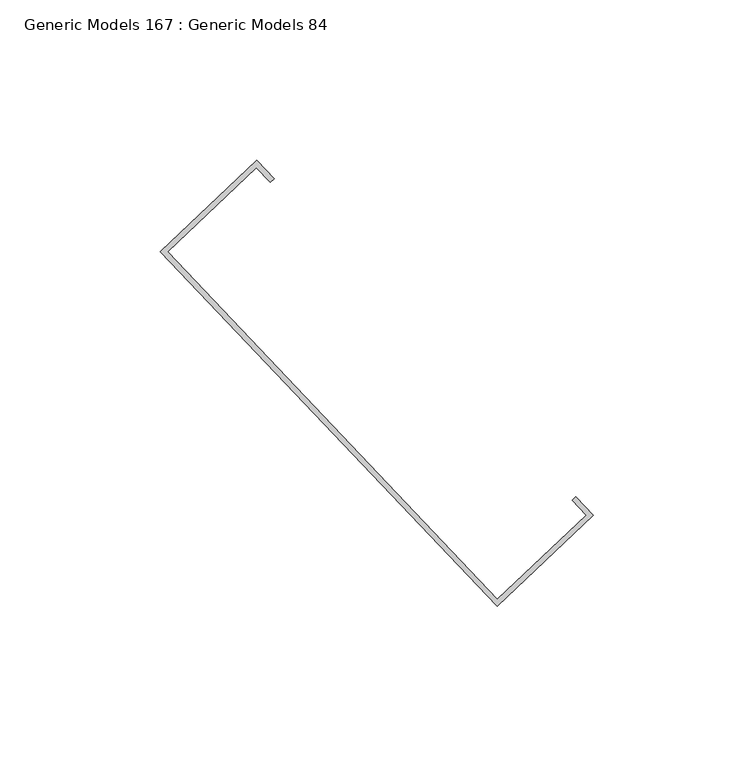
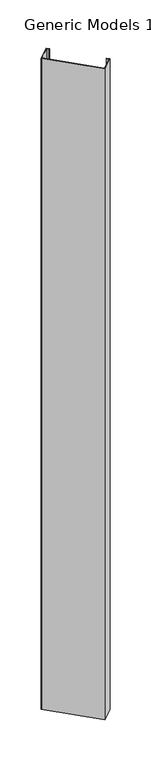
"""IFC4 building model written with IfcOpenShell, lengths in millimetres: proxy geometry, Generic Models 167 : Generic Models 84."""

import ifcopenshell
import ifcopenshell.guid

model = None  # the IFC model being written
_history = None  # IfcOwnerHistory: only IFC2X3 demands one
_inside = {}  # id of a spatial element -> (the spatial element, [elements in it])
_under = {}  # id of a project, library or spatial element -> (it, [spatial elements below it])
_declared = {}  # id of a project -> (the project, [libraries it declares])
_typed = {}  # id of a type object -> (the type object, [elements of that type])
_made_of = {}  # id of a material, layer set ... -> (it, [elements and type objects made of it])


def new_model(schema):
    """Start an empty IFC model of exactly this schema.

    Asked for "IFC4X3", IfcOpenShell would pick the latest addendum, in which some entities
    have other attributes; the version numbers below select the first issue.
    IFC2X3 requires an IfcOwnerHistory on every rooted entity: one is made here for all.
    """
    global model, _history
    if schema == "IFC4X3":
        model = ifcopenshell.file(schema_version=(4, 3, 0, 0))
    else:
        model = ifcopenshell.file(schema=schema)
    _inside.clear()
    _under.clear()
    _declared.clear()
    _typed.clear()
    _made_of.clear()
    _history = None
    if model.schema == "IFC2X3":
        org = make("IfcOrganization", Name="unknown")
        user = make(
            "IfcPersonAndOrganization",
            ThePerson=make("IfcPerson", FamilyName="unknown"),
            TheOrganization=org,
        )
        app = make(
            "IfcApplication",
            ApplicationDeveloper=org,
            Version="unknown",
            ApplicationFullName="unknown",
            ApplicationIdentifier="unknown",
        )
        _history = make(
            "IfcOwnerHistory",
            OwningUser=user,
            OwningApplication=app,
            ChangeAction="ADDED",
            CreationDate=0,
        )
    return model


def make(cls, **values):
    """One entity of the class cls with the attributes given. An attribute that is None is left unset."""
    return model.create_entity(
        cls, **{name: value for name, value in values.items() if value is not None}
    )


def rooted(cls, **values):
    """An entity with a GlobalId (a new one), such as an element, a storey or a relation."""
    return make(cls, GlobalId=ifcopenshell.guid.new(), OwnerHistory=_history, **values)


def si_unit(unit_type, name, prefix=None):
    """IfcSIUnit, for example si_unit("LENGTHUNIT", "METRE", prefix="MILLI")."""
    return make("IfcSIUnit", UnitType=unit_type, Prefix=prefix, Name=name)


def assignment(units):
    """IfcUnitAssignment: the units of a project."""
    return None if units is None else make("IfcUnitAssignment", Units=units)


def point(xyz):
    """IfcCartesianPoint."""
    return None if xyz is None else make("IfcCartesianPoint", Coordinates=xyz)


def direction(xyz):
    """IfcDirection."""
    return None if xyz is None else make("IfcDirection", DirectionRatios=xyz)


def frame(location, z_axis=None, x_axis=None):
    """IfcAxis2Placement3D, a coordinate frame: its origin and axes. An axis left out is left unset."""
    return make(
        "IfcAxis2Placement3D",
        Location=point(location),
        Axis=direction(z_axis),
        RefDirection=direction(x_axis),
    )


def origin():
    """The frame at (0, 0, 0) with its axes left unset."""
    return frame((0.0, 0.0, 0.0))


def place(relative_to, where):
    """IfcLocalPlacement: puts the frame where relative to a parent placement (None: the world)."""
    return make(
        "IfcLocalPlacement", PlacementRelTo=relative_to, RelativePlacement=where
    )


def context(
    kind, dimensions, precision=None, world=None, true_north=None, identifier=None
):
    """IfcGeometricRepresentationContext, for example the 3D "Model" context."""
    return make(
        "IfcGeometricRepresentationContext",
        ContextIdentifier=identifier,
        ContextType=kind,
        CoordinateSpaceDimension=dimensions,
        Precision=precision,
        WorldCoordinateSystem=world,
        TrueNorth=true_north,
    )


def project(units=None, contexts=None):
    """IfcProject with its units and contexts."""
    return rooted(
        "IfcProject",
        Name="project",
        RepresentationContexts=contexts,
        UnitsInContext=assignment(units),
    )


def spatial(cls, under=None, at=None, **own):
    """A site, building, storey or space (cls), placed at a placement, below another one or the project."""
    s = rooted(cls, ObjectPlacement=at, **own)
    if under is not None:
        _under.setdefault(under.id(), (under, []))[1].append(s)
    return s


def polyline(points):
    """IfcPolyline through the points."""
    return make("IfcPolyline", Points=[point(p) for p in points])


def outline(outer, holes=None, kind="AREA"):
    """IfcArbitraryClosedProfileDef: a profile drawn as a closed curve; with holes, ...WithVoids."""
    if holes is None:
        return make("IfcArbitraryClosedProfileDef", ProfileType=kind, OuterCurve=outer)
    return make(
        "IfcArbitraryProfileDefWithVoids",
        ProfileType=kind,
        OuterCurve=outer,
        InnerCurves=holes,
    )


def extrude(swept, where, along, depth):
    """IfcExtrudedAreaSolid: the profile swept, set in the frame where, extruded along a direction by depth."""
    return make(
        "IfcExtrudedAreaSolid",
        SweptArea=swept,
        Position=where,
        ExtrudedDirection=direction(along),
        Depth=depth,
    )


def shape(context_of_items, identifier, shape_type, items):
    """IfcShapeRepresentation: the items that make up one representation, for example the "Body"."""
    return make(
        "IfcShapeRepresentation",
        ContextOfItems=context_of_items,
        RepresentationIdentifier=identifier,
        RepresentationType=shape_type,
        Items=items,
    )


def source(mapping_origin, context_of_items, identifier, shape_type, items):
    """IfcRepresentationMap: a shape defined once, which mapped items show again and again."""
    return make(
        "IfcRepresentationMap",
        MappingOrigin=mapping_origin,
        MappedRepresentation=shape(context_of_items, identifier, shape_type, items),
    )


def transform(
    local_origin,
    x_axis=None,
    y_axis=None,
    z_axis=None,
    scale=None,
    scale2=None,
    scale3=None,
    uniform=True,
):
    """IfcCartesianTransformationOperator3D, or its non-uniform kind. x_axis, y_axis, z_axis: its Axis1, 2, 3."""
    if uniform:
        return make(
            "IfcCartesianTransformationOperator3D",
            Axis1=direction(x_axis),
            Axis2=direction(y_axis),
            LocalOrigin=point(local_origin),
            Scale=scale,
            Axis3=direction(z_axis),
        )
    return make(
        "IfcCartesianTransformationOperator3DnonUniform",
        Axis1=direction(x_axis),
        Axis2=direction(y_axis),
        LocalOrigin=point(local_origin),
        Scale=scale,
        Axis3=direction(z_axis),
        Scale2=scale2,
        Scale3=scale3,
    )


def mapped(mapping_source, mapping_target):
    """IfcMappedItem: shows the shape of a source again, moved by a transform."""
    return make(
        "IfcMappedItem", MappingSource=mapping_source, MappingTarget=mapping_target
    )


def made_of(thing, what):
    """Note that an element or type object is made of a material, layer set ...; save() writes the relation."""
    if what is not None:
        _made_of.setdefault(what.id(), (what, []))[1].append(thing)
    return thing


def element(
    cls,
    number,
    at=None,
    inside=None,
    cuts=None,
    type_object=None,
    material=None,
    context=None,
    identifier="Body",
    shape_type=None,
    held_by="IfcProductDefinitionShape",
    body=None,
    shapes=None,
    **own,
):
    """One element of the class cls, such as IfcWall. Its Tag is "e" and its number.

    at: its placement. inside: the storey or other place that contains it. cuts: it is an
    opening in that element (IfcRelVoidsElement). A single representation is given by context,
    identifier, shape_type and body (its items); several are given by shapes. held_by: the class
    of the entity that holds the representations. save() writes the other relations.
    """
    e = rooted(cls, Tag="e%d" % number, ObjectPlacement=at, **own)
    if body is not None:
        shapes = [shape(context, identifier, shape_type, body)]
    if shapes is not None:
        e.Representation = make(held_by, Representations=shapes)
    if inside is not None:
        _inside.setdefault(inside.id(), (inside, []))[1].append(e)
    if cuts is not None:
        rooted(
            "IfcRelVoidsElement", RelatingBuildingElement=cuts, RelatedOpeningElement=e
        )
    if type_object is not None:
        _typed.setdefault(type_object.id(), (type_object, []))[1].append(e)
    return made_of(e, material)


def aggregate(whole, parts):
    """IfcRelAggregates: a whole, such as a stair, and the parts it consists of."""
    return rooted("IfcRelAggregates", RelatingObject=whole, RelatedObjects=parts)


def save(model, path):
    """Write the relations noted so far, then the file.

    IfcRelAggregates (storeys below a building ...), IfcRelContainedInSpatialStructure (elements
    in a storey), IfcRelDefinesByType, IfcRelAssociatesMaterial and IfcRelDeclares: one each for
    every whole, place, type object, material and project.
    """
    for whole, parts in _under.values():
        aggregate(whole, parts)
    for where, things in _inside.values():
        rooted(
            "IfcRelContainedInSpatialStructure",
            RelatedElements=things,
            RelatingStructure=where,
        )
    for kind, things in _typed.values():
        rooted("IfcRelDefinesByType", RelatedObjects=things, RelatingType=kind)
    for what, things in _made_of.values():
        rooted("IfcRelAssociatesMaterial", RelatedObjects=things, RelatingMaterial=what)
    for by, libraries in _declared.values():
        rooted("IfcRelDeclares", RelatingContext=by, RelatedDefinitions=libraries)
    model.write(path)


def generic_models_167_generic_models_84_fa6d3900(model_context):
    return source(origin(), model_context, "Body", "SweptSolid", [
        extrude(outline(polyline([(102249.1571263, 55280.6320906), (102144.251889, 55391.1791447), (102174.1917161, 55419.5909798), (102179.6555306, 55413.8333207), (102178.5039988, 55412.7405579), (102174.1329472, 55417.3466851), (102146.4961837, 55391.1203758), (102249.2158952, 55282.8763853), (102276.8526588, 55309.1026946), (102272.4816072, 55313.7088219), (102273.633139, 55314.8015847), (102279.0969535, 55309.0439257), (102249.1571263, 55280.6320906)])), frame((0.0, 0.0, 16719.8675), z_axis=(0.0, 0.0, 1.0), x_axis=(1.0, 0.0, 0.0)), (0.0, 0.0, 1.0), 1813.2433985),
    ])


if __name__ == "__main__":
    model = new_model("IFC4")
    model_context = context("Model", 3, world=origin())
    ifc_project = project(units=[si_unit("LENGTHUNIT", "METRE", prefix="MILLI")], contexts=[model_context])
    site = spatial("IfcSite", under=ifc_project)
    building = spatial("IfcBuilding", under=site)
    placement = place(None, origin())
    generic_models_167_generic_models_84_shape = generic_models_167_generic_models_84_fa6d3900(model_context)
    element("IfcBuildingElementProxy", 1, Name="Generic Models 167 : Generic Models 84", ObjectType="Generic Models 167 : Generic Models 84", at=placement, inside=building, context=model_context, shape_type="MappedRepresentation", body=[
        mapped(generic_models_167_generic_models_84_shape, transform((0.0, 0.0, 0.0), x_axis=(1.0, 0.0, 0.0), y_axis=(0.0, 1.0, 0.0), z_axis=(0.0, 0.0, 1.0))),
    ])
    save(model, "model.ifc")
